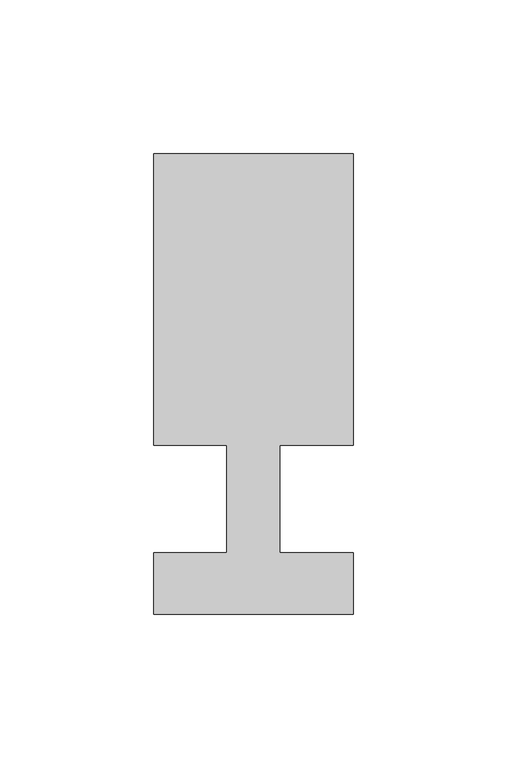
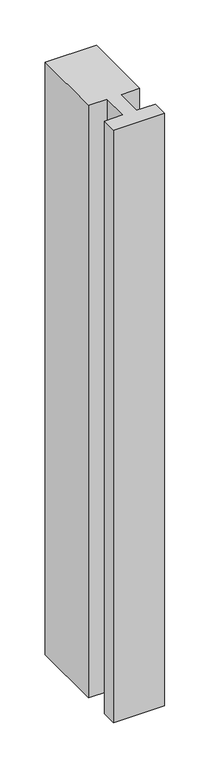
"""IFC4 building model written with IfcOpenShell, lengths in millimetres: member geometry."""

from ifc_helpers import new_model, si_unit, frame, origin, place, context, project, spatial, polyline, outline, extrude, source, transform, mapped, element, save


def member_da4c5368(model_context):
    return source(origin(), model_context, "Body", "SweptSolid", [
        extrude(outline(polyline([(0.0, -37.0), (-65.0, -37.0), (-65.0, -17.0), (-41.1875, -17.0), (-41.1875, 18.0), (-65.0, 18.0), (-65.0, 113.0), (0.0, 113.0), (0.0, 18.0), (-23.8125, 18.0), (-23.8125, -17.0), (0.0, -17.0), (0.0, -37.0)])), frame((0.0, 0.0, -795.9422911), z_axis=(0.0, 0.0, 1.0), x_axis=(1.0, 0.0, 0.0)), (0.0, 0.0, 1.0), 795.9422911),
    ])


if __name__ == "__main__":
    model = new_model("IFC4")
    model_context = context("Model", 3, world=origin())
    ifc_project = project(units=[si_unit("LENGTHUNIT", "METRE", prefix="MILLI")], contexts=[model_context])
    site = spatial("IfcSite", under=ifc_project)
    building = spatial("IfcBuilding", under=site)
    placement = place(None, origin())
    member_shape = member_da4c5368(model_context)
    element("IfcMember", 1, at=placement, inside=building, context=model_context, shape_type="MappedRepresentation", body=[
        mapped(member_shape, transform((0.0, 0.0, 0.0), x_axis=(1.0, 0.0, 0.0), y_axis=(0.0, 1.0, 0.0), z_axis=(0.0, 0.0, 1.0))),
    ])
    save(model, "model.ifc")
